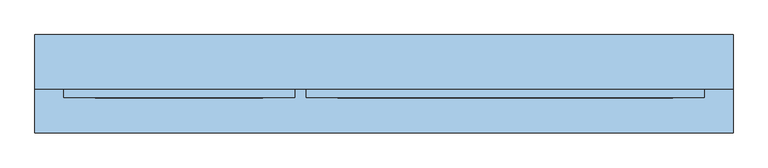
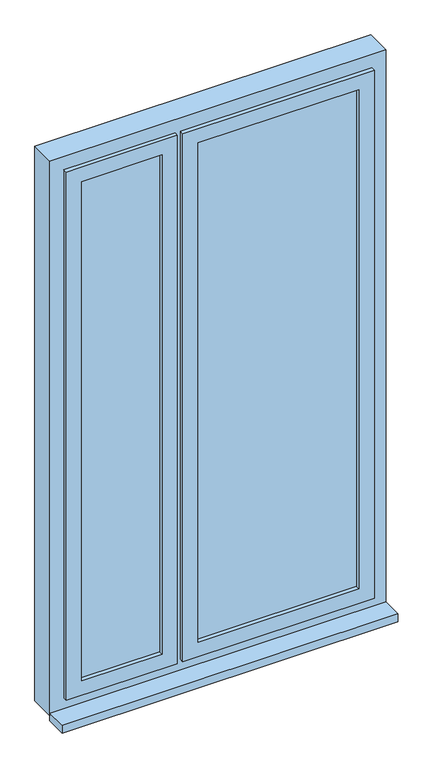
"""IFC4 building model written with IfcOpenShell, lengths in millimetres: window geometry."""

import ifcopenshell
import ifcopenshell.guid

model = None  # the IFC model being written
_history = None  # IfcOwnerHistory: only IFC2X3 demands one
_inside = {}  # id of a spatial element -> (the spatial element, [elements in it])
_under = {}  # id of a project, library or spatial element -> (it, [spatial elements below it])
_declared = {}  # id of a project -> (the project, [libraries it declares])
_typed = {}  # id of a type object -> (the type object, [elements of that type])
_made_of = {}  # id of a material, layer set ... -> (it, [elements and type objects made of it])


def new_model(schema):
    """Start an empty IFC model of exactly this schema.

    Asked for "IFC4X3", IfcOpenShell would pick the latest addendum, in which some entities
    have other attributes; the version numbers below select the first issue.
    IFC2X3 requires an IfcOwnerHistory on every rooted entity: one is made here for all.
    """
    global model, _history
    if schema == "IFC4X3":
        model = ifcopenshell.file(schema_version=(4, 3, 0, 0))
    else:
        model = ifcopenshell.file(schema=schema)
    _inside.clear()
    _under.clear()
    _declared.clear()
    _typed.clear()
    _made_of.clear()
    _history = None
    if model.schema == "IFC2X3":
        org = make("IfcOrganization", Name="unknown")
        user = make(
            "IfcPersonAndOrganization",
            ThePerson=make("IfcPerson", FamilyName="unknown"),
            TheOrganization=org,
        )
        app = make(
            "IfcApplication",
            ApplicationDeveloper=org,
            Version="unknown",
            ApplicationFullName="unknown",
            ApplicationIdentifier="unknown",
        )
        _history = make(
            "IfcOwnerHistory",
            OwningUser=user,
            OwningApplication=app,
            ChangeAction="ADDED",
            CreationDate=0,
        )
    return model


def make(cls, **values):
    """One entity of the class cls with the attributes given. An attribute that is None is left unset."""
    return model.create_entity(
        cls, **{name: value for name, value in values.items() if value is not None}
    )


def rooted(cls, **values):
    """An entity with a GlobalId (a new one), such as an element, a storey or a relation."""
    return make(cls, GlobalId=ifcopenshell.guid.new(), OwnerHistory=_history, **values)


def si_unit(unit_type, name, prefix=None):
    """IfcSIUnit, for example si_unit("LENGTHUNIT", "METRE", prefix="MILLI")."""
    return make("IfcSIUnit", UnitType=unit_type, Prefix=prefix, Name=name)


def assignment(units):
    """IfcUnitAssignment: the units of a project."""
    return None if units is None else make("IfcUnitAssignment", Units=units)


def point(xyz):
    """IfcCartesianPoint."""
    return None if xyz is None else make("IfcCartesianPoint", Coordinates=xyz)


def direction(xyz):
    """IfcDirection."""
    return None if xyz is None else make("IfcDirection", DirectionRatios=xyz)


def frame(location, z_axis=None, x_axis=None):
    """IfcAxis2Placement3D, a coordinate frame: its origin and axes. An axis left out is left unset."""
    return make(
        "IfcAxis2Placement3D",
        Location=point(location),
        Axis=direction(z_axis),
        RefDirection=direction(x_axis),
    )


def origin():
    """The frame at (0, 0, 0) with its axes left unset."""
    return frame((0.0, 0.0, 0.0))


def place(relative_to, where):
    """IfcLocalPlacement: puts the frame where relative to a parent placement (None: the world)."""
    return make(
        "IfcLocalPlacement", PlacementRelTo=relative_to, RelativePlacement=where
    )


def context(
    kind, dimensions, precision=None, world=None, true_north=None, identifier=None
):
    """IfcGeometricRepresentationContext, for example the 3D "Model" context."""
    return make(
        "IfcGeometricRepresentationContext",
        ContextIdentifier=identifier,
        ContextType=kind,
        CoordinateSpaceDimension=dimensions,
        Precision=precision,
        WorldCoordinateSystem=world,
        TrueNorth=true_north,
    )


def project(units=None, contexts=None):
    """IfcProject with its units and contexts."""
    return rooted(
        "IfcProject",
        Name="project",
        RepresentationContexts=contexts,
        UnitsInContext=assignment(units),
    )


def spatial(cls, under=None, at=None, **own):
    """A site, building, storey or space (cls), placed at a placement, below another one or the project."""
    s = rooted(cls, ObjectPlacement=at, **own)
    if under is not None:
        _under.setdefault(under.id(), (under, []))[1].append(s)
    return s


def polyline(points):
    """IfcPolyline through the points."""
    return make("IfcPolyline", Points=[point(p) for p in points])


def outline(outer, holes=None, kind="AREA"):
    """IfcArbitraryClosedProfileDef: a profile drawn as a closed curve; with holes, ...WithVoids."""
    if holes is None:
        return make("IfcArbitraryClosedProfileDef", ProfileType=kind, OuterCurve=outer)
    return make(
        "IfcArbitraryProfileDefWithVoids",
        ProfileType=kind,
        OuterCurve=outer,
        InnerCurves=holes,
    )


def extrude(swept, where, along, depth):
    """IfcExtrudedAreaSolid: the profile swept, set in the frame where, extruded along a direction by depth."""
    return make(
        "IfcExtrudedAreaSolid",
        SweptArea=swept,
        Position=where,
        ExtrudedDirection=direction(along),
        Depth=depth,
    )


def faces_of(points, faces, orient=None, outer=None):
    """IfcFace entities. A face is a list of loops; a loop is a list of indices into points, from 0.

    orient and outer hold one flag for each loop. By default every Orientation is true, the
    first loop of a face is its IfcFaceOuterBound and the others are IfcFaceBound.
    """
    made = []
    for i, loops in enumerate(faces):
        bounds = []
        for j, loop in enumerate(loops):
            is_outer = j == 0 if outer is None else outer[i][j]
            bounds.append(
                make(
                    "IfcFaceOuterBound" if is_outer else "IfcFaceBound",
                    Bound=make("IfcPolyLoop", Polygon=[points[k] for k in loop]),
                    Orientation=True if orient is None else orient[i][j],
                )
            )
        made.append(make("IfcFace", Bounds=bounds))
    return made


def faceted_brep(points, faces, orient=None, outer=None, voids=None):
    """IfcFacetedBrep: a solid bounded by flat faces; with voids (closed shells), ...WithVoids."""
    shared = [point(p) for p in points]
    hull = make("IfcClosedShell", CfsFaces=faces_of(shared, faces, orient, outer))
    if voids is None:
        return make("IfcFacetedBrep", Outer=hull)
    return make(
        "IfcFacetedBrepWithVoids",
        Outer=hull,
        Voids=[
            make(cls, CfsFaces=faces_of(shared, fs, o, b)) for cls, fs, o, b in voids
        ],
    )


def shape(context_of_items, identifier, shape_type, items):
    """IfcShapeRepresentation: the items that make up one representation, for example the "Body"."""
    return make(
        "IfcShapeRepresentation",
        ContextOfItems=context_of_items,
        RepresentationIdentifier=identifier,
        RepresentationType=shape_type,
        Items=items,
    )


def source(mapping_origin, context_of_items, identifier, shape_type, items):
    """IfcRepresentationMap: a shape defined once, which mapped items show again and again."""
    return make(
        "IfcRepresentationMap",
        MappingOrigin=mapping_origin,
        MappedRepresentation=shape(context_of_items, identifier, shape_type, items),
    )


def transform(
    local_origin,
    x_axis=None,
    y_axis=None,
    z_axis=None,
    scale=None,
    scale2=None,
    scale3=None,
    uniform=True,
):
    """IfcCartesianTransformationOperator3D, or its non-uniform kind. x_axis, y_axis, z_axis: its Axis1, 2, 3."""
    if uniform:
        return make(
            "IfcCartesianTransformationOperator3D",
            Axis1=direction(x_axis),
            Axis2=direction(y_axis),
            LocalOrigin=point(local_origin),
            Scale=scale,
            Axis3=direction(z_axis),
        )
    return make(
        "IfcCartesianTransformationOperator3DnonUniform",
        Axis1=direction(x_axis),
        Axis2=direction(y_axis),
        LocalOrigin=point(local_origin),
        Scale=scale,
        Axis3=direction(z_axis),
        Scale2=scale2,
        Scale3=scale3,
    )


def mapped(mapping_source, mapping_target):
    """IfcMappedItem: shows the shape of a source again, moved by a transform."""
    return make(
        "IfcMappedItem", MappingSource=mapping_source, MappingTarget=mapping_target
    )


def made_of(thing, what):
    """Note that an element or type object is made of a material, layer set ...; save() writes the relation."""
    if what is not None:
        _made_of.setdefault(what.id(), (what, []))[1].append(thing)
    return thing


def element(
    cls,
    number,
    at=None,
    inside=None,
    cuts=None,
    type_object=None,
    material=None,
    context=None,
    identifier="Body",
    shape_type=None,
    held_by="IfcProductDefinitionShape",
    body=None,
    shapes=None,
    **own,
):
    """One element of the class cls, such as IfcWall. Its Tag is "e" and its number.

    at: its placement. inside: the storey or other place that contains it. cuts: it is an
    opening in that element (IfcRelVoidsElement). A single representation is given by context,
    identifier, shape_type and body (its items); several are given by shapes. held_by: the class
    of the entity that holds the representations. save() writes the other relations.
    """
    e = rooted(cls, Tag="e%d" % number, ObjectPlacement=at, **own)
    if body is not None:
        shapes = [shape(context, identifier, shape_type, body)]
    if shapes is not None:
        e.Representation = make(held_by, Representations=shapes)
    if inside is not None:
        _inside.setdefault(inside.id(), (inside, []))[1].append(e)
    if cuts is not None:
        rooted(
            "IfcRelVoidsElement", RelatingBuildingElement=cuts, RelatedOpeningElement=e
        )
    if type_object is not None:
        _typed.setdefault(type_object.id(), (type_object, []))[1].append(e)
    return made_of(e, material)


def aggregate(whole, parts):
    """IfcRelAggregates: a whole, such as a stair, and the parts it consists of."""
    return rooted("IfcRelAggregates", RelatingObject=whole, RelatedObjects=parts)


def save(model, path):
    """Write the relations noted so far, then the file.

    IfcRelAggregates (storeys below a building ...), IfcRelContainedInSpatialStructure (elements
    in a storey), IfcRelDefinesByType, IfcRelAssociatesMaterial and IfcRelDeclares: one each for
    every whole, place, type object, material and project.
    """
    for whole, parts in _under.values():
        aggregate(whole, parts)
    for where, things in _inside.values():
        rooted(
            "IfcRelContainedInSpatialStructure",
            RelatedElements=things,
            RelatingStructure=where,
        )
    for kind, things in _typed.values():
        rooted("IfcRelDefinesByType", RelatedObjects=things, RelatingType=kind)
    for what, things in _made_of.values():
        rooted("IfcRelAssociatesMaterial", RelatedObjects=things, RelatingMaterial=what)
    for by, libraries in _declared.values():
        rooted("IfcRelDeclares", RelatingContext=by, RelatedDefinitions=libraries)
    model.write(path)


def window_7f7d14af(model_context):
    return source(origin(), model_context, "Body", "SolidModel", [
        extrude(outline(polyline([(-375.0, -34.0), (-375.0, -30.0), (-85.0, -30.0), (-85.0, -34.0), (-375.0, -34.0)])), frame((0.0, 0.0, 905.0), z_axis=(0.0, 0.0, 1.0), x_axis=(1.0, 0.0, 0.0)), (0.0, 0.0, 1.0), 1900.0),
        extrude(outline(polyline([(-85.0, 30.0), (-85.0, 26.0), (-375.0, 26.0), (-375.0, 30.0), (-85.0, 30.0)])), frame((0.0, 0.0, 905.0), z_axis=(0.0, 0.0, 1.0), x_axis=(1.0, 0.0, 0.0)), (0.0, 0.0, 1.0), 1900.0),
        faceted_brep([(-30.0, -34.0, 2860.0), (-30.0, -34.0, 850.0), (-430.0, -34.0, 850.0), (-430.0, -34.0, 2860.0), (-40.0, -34.0, 860.0), (-40.0, -34.0, 2850.0), (-420.0, -34.0, 2850.0), (-420.0, -34.0, 860.0), (-40.0, -3.0, 860.0), (-40.0, -3.0, 2850.0), (-420.0, -3.0, 860.0), (-420.0, -3.0, 2850.0), (-375.0, -3.0, 905.0), (-85.0, -3.0, 905.0), (-85.0, -3.0, 2805.0), (-375.0, -3.0, 2805.0), (-85.0, -49.0, 905.0), (-85.0, -49.0, 2805.0), (-430.0, -49.0, 850.0), (-30.0, -49.0, 850.0), (-30.0, -49.0, 2860.0), (-430.0, -49.0, 2860.0), (-375.0, -49.0, 905.0), (-375.0, -49.0, 2805.0)], [[[0, 1, 2, 3], [4, 5, 6, 7]], [[4, 8, 9, 5]], [[8, 10, 11, 9], [12, 13, 14, 15]], [[13, 16, 17, 14]], [[18, 19, 20, 21], [16, 22, 23, 17]], [[0, 20, 19, 1]], [[5, 9, 11, 6]], [[14, 17, 23, 15]], [[3, 21, 20, 0]], [[6, 11, 10, 7]], [[15, 23, 22, 12]], [[2, 18, 21, 3]], [[8, 4, 7, 10]], [[16, 13, 12, 22]], [[1, 19, 18, 2]]]),
        faceted_brep([(-40.0, -1.0, 2850.0), (-40.0, -1.0, 860.0), (-40.0, 12.0, 860.0), (-40.0, 12.0, 875.0), (-40.0, 45.0, 875.0), (-40.0, 45.0, 2850.0), (-85.0, 45.0, 905.0), (-85.0, -1.0, 905.0), (-85.0, -1.0, 2805.0), (-85.0, 45.0, 2805.0), (-420.0, -1.0, 860.0), (-420.0, -1.0, 2850.0), (-375.0, -1.0, 905.0), (-375.0, -1.0, 2805.0), (-420.0, 45.0, 875.0), (-420.0, 45.0, 2850.0), (-375.0, 45.0, 2805.0), (-375.0, 45.0, 905.0), (-420.0, 12.0, 875.0), (-420.0, 12.0, 860.0)], [[[0, 1, 2, 3, 4, 5]], [[6, 7, 8, 9]], [[10, 1, 0, 11], [7, 12, 13, 8]], [[4, 14, 15, 5], [9, 16, 17, 6]], [[8, 13, 16, 9]], [[0, 5, 15, 11]], [[10, 11, 15, 14, 18, 19]], [[12, 17, 16, 13]], [[7, 6, 17, 12]], [[10, 19, 2, 1]], [[19, 18, 3, 2]], [[4, 3, 18, 14]]]),
        extrude(outline(polyline([(45.0, -34.0), (45.0, -30.0), (625.0, -30.0), (625.0, -34.0), (45.0, -34.0)])), frame((0.0, 0.0, 905.0), z_axis=(0.0, 0.0, 1.0), x_axis=(1.0, 0.0, 0.0)), (0.0, 0.0, 1.0), 1900.0),
        extrude(outline(polyline([(625.0, 30.0), (625.0, 26.0), (45.0, 26.0), (45.0, 30.0), (625.0, 30.0)])), frame((0.0, 0.0, 905.0), z_axis=(0.0, 0.0, 1.0), x_axis=(1.0, 0.0, 0.0)), (0.0, 0.0, 1.0), 1900.0),
        faceted_brep([(680.0, -34.0, 2860.0), (680.0, -34.0, 850.0), (-10.0, -34.0, 850.0), (-10.0, -34.0, 2860.0), (670.0, -34.0, 860.0), (670.0, -34.0, 2850.0), (0.0, -34.0, 2850.0), (0.0, -34.0, 860.0), (670.0, -3.0, 860.0), (670.0, -3.0, 2850.0), (0.0, -3.0, 860.0), (0.0, -3.0, 2850.0), (45.0, -3.0, 905.0), (625.0, -3.0, 905.0), (625.0, -3.0, 2805.0), (45.0, -3.0, 2805.0), (625.0, -49.0, 905.0), (625.0, -49.0, 2805.0), (-10.0, -49.0, 850.0), (680.0, -49.0, 850.0), (680.0, -49.0, 2860.0), (-10.0, -49.0, 2860.0), (45.0, -49.0, 905.0), (45.0, -49.0, 2805.0)], [[[0, 1, 2, 3], [4, 5, 6, 7]], [[4, 8, 9, 5]], [[8, 10, 11, 9], [12, 13, 14, 15]], [[13, 16, 17, 14]], [[18, 19, 20, 21], [16, 22, 23, 17]], [[0, 20, 19, 1]], [[5, 9, 11, 6]], [[14, 17, 23, 15]], [[3, 21, 20, 0]], [[6, 11, 10, 7]], [[15, 23, 22, 12]], [[2, 18, 21, 3]], [[8, 4, 7, 10]], [[16, 13, 12, 22]], [[1, 19, 18, 2]]]),
        faceted_brep([(670.0, -1.0, 2850.0), (670.0, -1.0, 860.0), (670.0, 12.0, 860.0), (670.0, 12.0, 875.0), (670.0, 45.0, 875.0), (670.0, 45.0, 2850.0), (625.0, 45.0, 905.0), (625.0, -1.0, 905.0), (625.0, -1.0, 2805.0), (625.0, 45.0, 2805.0), (0.0, -1.0, 860.0), (0.0, -1.0, 2850.0), (45.0, -1.0, 905.0), (45.0, -1.0, 2805.0), (0.0, 45.0, 875.0), (0.0, 45.0, 2850.0), (45.0, 45.0, 2805.0), (45.0, 45.0, 905.0), (0.0, 12.0, 875.0), (0.0, 12.0, 860.0)], [[[0, 1, 2, 3, 4, 5]], [[6, 7, 8, 9]], [[10, 1, 0, 11], [7, 12, 13, 8]], [[4, 14, 15, 5], [9, 16, 17, 6]], [[8, 13, 16, 9]], [[0, 5, 15, 11]], [[10, 11, 15, 14, 18, 19]], [[12, 17, 16, 13]], [[7, 6, 17, 12]], [[10, 19, 2, 1]], [[19, 18, 3, 2]], [[4, 3, 18, 14]]]),
        faceted_brep([(-480.0, 60.0, 800.0), (730.0, 60.0, 800.0), (730.0, -34.0, 800.0), (-480.0, -34.0, 800.0), (730.0, -34.0, 2910.0), (-480.0, -34.0, 2910.0), (-420.0, -34.0, 2850.0), (-40.0, -34.0, 2850.0), (-40.0, -34.0, 860.0), (-420.0, -34.0, 860.0), (670.0, -34.0, 2850.0), (670.0, -34.0, 860.0), (0.0, -34.0, 860.0), (0.0, -34.0, 2850.0), (670.0, 45.0, 2850.0), (670.0, 45.0, 860.0), (670.0, 29.0, 860.0), (670.0, 29.0, 875.0), (670.0, 12.0, 875.0), (670.0, 12.0, 860.0), (0.0, 45.0, 2850.0), (0.0, 45.0, 860.0), (15.0, 45.0, 860.0), (15.0, 45.0, 2835.0), (655.0, 45.0, 2835.0), (655.0, 45.0, 860.0), (-420.0, 45.0, 2850.0), (-420.0, 45.0, 860.0), (-405.0, 45.0, 860.0), (-405.0, 45.0, 2835.0), (-55.0, 45.0, 2835.0), (-55.0, 45.0, 860.0), (-40.0, 45.0, 860.0), (-40.0, 45.0, 2850.0), (655.0, 60.0, 2835.0), (655.0, 60.0, 860.0), (-480.0, 60.0, 2910.0), (730.0, 60.0, 2910.0), (-405.0, 60.0, 860.0), (-55.0, 60.0, 860.0), (-55.0, 60.0, 2835.0), (-405.0, 60.0, 2835.0), (15.0, 60.0, 2835.0), (15.0, 60.0, 860.0), (-420.0, 12.0, 860.0), (-420.0, 12.0, 875.0), (-420.0, 29.0, 875.0), (-420.0, 29.0, 860.0), (0.0, 12.0, 860.0), (-40.0, 12.0, 860.0), (0.0, 12.0, 875.0), (-40.0, 12.0, 875.0), (0.0, 29.0, 875.0), (-40.0, 29.0, 875.0), (0.0, 29.0, 860.0), (-40.0, 29.0, 860.0)], [[[0, 1, 2, 3]], [[2, 4, 5, 3], [6, 7, 8, 9], [10, 11, 12, 13]], [[10, 14, 15, 16, 17, 18, 19, 11]], [[15, 14, 20, 21, 22, 23, 24, 25]], [[26, 27, 28, 29, 30, 31, 32, 33]], [[24, 34, 35, 25]], [[0, 36, 37, 1], [38, 39, 40, 41], [35, 34, 42, 43]], [[2, 1, 37, 4]], [[20, 14, 10, 13]], [[6, 26, 33, 7]], [[34, 24, 23, 42]], [[29, 41, 40, 30]], [[5, 4, 37, 36]], [[26, 6, 9, 44, 45, 46, 47, 27]], [[41, 29, 28, 38]], [[5, 36, 0, 3]], [[11, 19, 48, 12]], [[44, 9, 8, 49]], [[19, 18, 50, 48]], [[45, 44, 49, 51]], [[18, 17, 52, 50]], [[46, 45, 51, 53]], [[17, 16, 54, 52]], [[47, 46, 53, 55]], [[16, 15, 25, 35, 43, 22, 21, 54]], [[28, 27, 47, 55, 32, 31, 39, 38]], [[40, 39, 31, 30]], [[8, 7, 33, 32, 55, 53, 51, 49]], [[13, 12, 48, 50, 52, 54, 21, 20]], [[43, 42, 23, 22]]]),
        extrude(outline(polyline([(-480.0, -110.0), (-480.0, -34.0), (730.0, -34.0), (730.0, -110.0), (-480.0, -110.0)])), frame((0.0, 0.0, 780.0), z_axis=(0.0, 0.0, 1.0), x_axis=(1.0, 0.0, 0.0)), (0.0, 0.0, 1.0), 30.0),
    ])


if __name__ == "__main__":
    model = new_model("IFC4")
    model_context = context("Model", 3, world=origin())
    ifc_project = project(units=[si_unit("LENGTHUNIT", "METRE", prefix="MILLI")], contexts=[model_context])
    site = spatial("IfcSite", under=ifc_project)
    building = spatial("IfcBuilding", under=site)
    placement = place(None, origin())
    window_shape = window_7f7d14af(model_context)
    element("IfcWindow", 1, at=placement, inside=building, context=model_context, shape_type="MappedRepresentation", body=[
        mapped(window_shape, transform((0.0, 0.0, 0.0), x_axis=(1.0, 0.0, 0.0), y_axis=(0.0, 1.0, 0.0), z_axis=(0.0, 0.0, 1.0))),
    ])
    save(model, "model.ifc")
